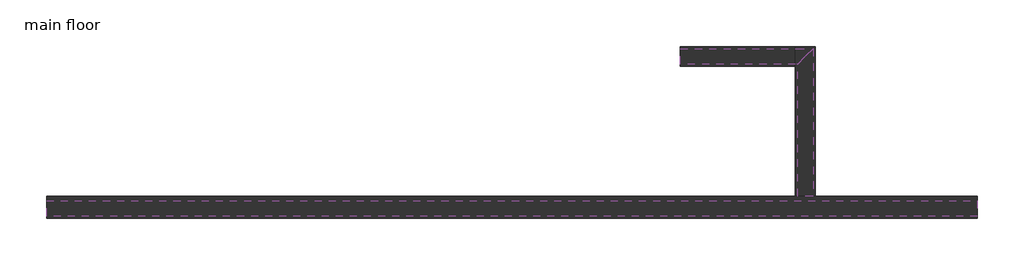
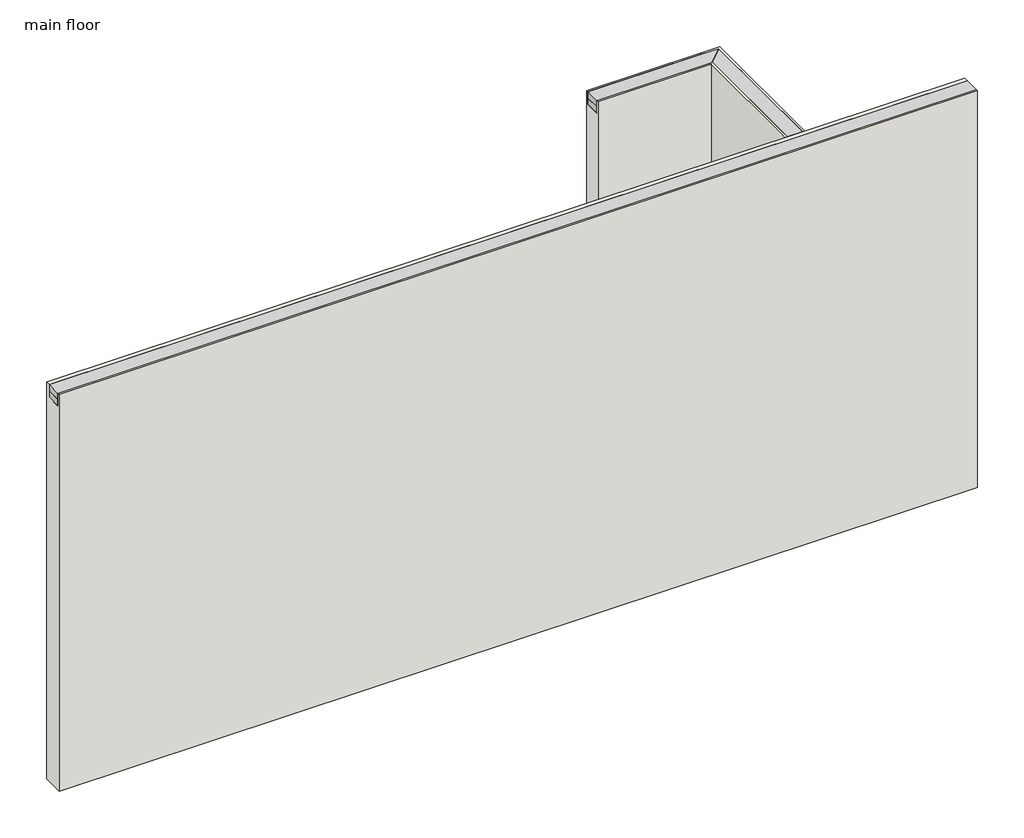
# One storey: 6 proxies, 3 walls.
"""IFC4 building model written with IfcOpenShell, lengths in millimetres."""

from ifc_helpers import new_model, si_unit, frame, origin, place, context, project, spatial, polyline, outline, extrude, faceted_brep, element, save

model = new_model("IFC4")

# Units and contexts
model_context = context("Model", 3, world=origin())
ifc_project = project(units=[si_unit("LENGTHUNIT", "METRE", prefix="MILLI")], contexts=[model_context])

# Site, building, storey
site = spatial("IfcSite", under=ifc_project)
building = spatial("IfcBuilding", under=site)
storey = spatial("IfcBuildingStorey", under=building, Name="main floor", Elevation=0.0)

# Proxies
placement = place(None, origin())
element("IfcBuildingElementProxy", 1, Name="Wall Sweeps", at=placement, inside=storey, context=model_context, shape_type="SweptSolid", body=[
    extrude(outline(polyline([(-19668.8112733, 1799.7534889), (-19668.8112733, 1888.6534889), (-14334.8112733, 1888.6534889), (-14334.8112733, 1799.7534889), (-19668.8112733, 1799.7534889)])), frame((0.0, 0.0, 2362.2), z_axis=(0.0, 0.0, 1.0), x_axis=(1.0, 0.0, 0.0)), (0.0, 0.0, 1.0), 38.1),
])
element("IfcBuildingElementProxy", 2, Name="Wall Sweeps", at=placement, inside=storey, context=model_context, shape_type="SweptSolid", body=[
    extrude(outline(polyline([(-19668.8112733, 1799.7534889), (-19668.8112733, 1888.6534889), (-14334.8112733, 1888.6534889), (-14334.8112733, 1799.7534889), (-19668.8112733, 1799.7534889)])), frame((0.0, 0.0, 2400.3), z_axis=(0.0, 0.0, 1.0), x_axis=(1.0, 0.0, 0.0)), (0.0, 0.0, 1.0), 38.1),
])
element("IfcBuildingElementProxy", 3, Name="Wall Sweeps", at=placement, inside=storey, context=model_context, shape_type="Brep", body=[
    faceted_brep([(-15365.0987733, 2669.7034889, 2400.3), (-15365.0987733, 2669.7034889, 2362.2), (-15276.1987733, 2758.6034889, 2362.2), (-15276.1987733, 2758.6034889, 2400.3), (-16036.6112733, 2669.7034889, 2400.3), (-16036.6112733, 2758.6034889, 2400.3), (-16036.6112733, 2758.6034889, 2362.2), (-16036.6112733, 2669.7034889, 2362.2), (-15377.7987733, 2669.7034889, 2362.2), (-15377.7987733, 2758.6034889, 2362.2)], [[[0, 1, 2, 3]], [[4, 5, 6, 7]], [[1, 0, 4, 7, 8]], [[2, 1, 8, 7, 6, 9]], [[3, 2, 9, 6, 5]], [[0, 3, 5, 4]]]),
])
element("IfcBuildingElementProxy", 4, Name="Wall Sweeps", at=placement, inside=storey, context=model_context, shape_type="Brep", body=[
    faceted_brep([(-15365.0987733, 2669.7034889, 2438.4), (-15365.0987733, 2669.7034889, 2400.3), (-15276.1987733, 2758.6034889, 2400.3), (-15276.1987733, 2758.6034889, 2438.4), (-16036.6112733, 2669.7034889, 2438.4), (-16036.6112733, 2758.6034889, 2438.4), (-16036.6112733, 2758.6034889, 2400.3), (-16036.6112733, 2669.7034889, 2400.3), (-15377.7987733, 2669.7034889, 2438.4), (-15377.7987733, 2758.6034889, 2438.4)], [[[0, 1, 2, 3]], [[4, 5, 6, 7]], [[1, 0, 8, 4, 7]], [[2, 1, 7, 6]], [[3, 2, 6, 5, 9]], [[0, 3, 9, 5, 4, 8]]]),
])
element("IfcBuildingElementProxy", 5, Name="Wall Sweeps", at=placement, inside=storey, context=model_context, shape_type="SweptSolid", body=[
    extrude(outline(polyline([(-15276.1987733, 1914.0534889), (-15365.0987733, 1914.0534889), (-15365.0987733, 2669.7034889), (-15276.1987733, 2758.6034889), (-15276.1987733, 1914.0534889)])), frame((0.0, 0.0, 2362.2), z_axis=(0.0, 0.0, 1.0), x_axis=(1.0, 0.0, 0.0)), (0.0, 0.0, 1.0), 38.1),
])
element("IfcBuildingElementProxy", 6, Name="Wall Sweeps", at=placement, inside=storey, context=model_context, shape_type="SweptSolid", body=[
    extrude(outline(polyline([(-15276.1987733, 1914.0534889), (-15365.0987733, 1914.0534889), (-15365.0987733, 2669.7034889), (-15276.1987733, 2758.6034889), (-15276.1987733, 1914.0534889)])), frame((0.0, 0.0, 2400.3), z_axis=(0.0, 0.0, 1.0), x_axis=(1.0, 0.0, 0.0)), (0.0, 0.0, 1.0), 38.1),
])

# Walls
element("IfcWall", 7, ObjectType="Exterior 2x4", at=placement, inside=storey, context=model_context, shape_type="Brep", body=[
    faceted_brep([(-19668.8112733, 1787.0534889, 0.0), (-14334.8112733, 1787.0534889, 0.0), (-14334.8112733, 1787.0534889, 2438.4), (-19668.8112733, 1787.0534889, 2438.4), (-14334.8112733, 1914.0534889, 0.0), (-19668.8112733, 1914.0534889, 0.0), (-19668.8112733, 1914.0534889, 2438.4), (-14334.8112733, 1914.0534889, 2438.4), (-14334.8112733, 1888.6534889, 2438.4), (-14334.8112733, 1888.6534889, 2400.3), (-14334.8112733, 1888.6534889, 2362.2), (-14334.8112733, 1799.7534889, 2362.2), (-14334.8112733, 1799.7534889, 2400.3), (-14334.8112733, 1799.7534889, 2438.4), (-19668.8112733, 1799.7534889, 2438.4), (-19668.8112733, 1888.6534889, 2438.4), (-19668.8112733, 1799.7534889, 2400.3), (-19668.8112733, 1799.7534889, 2362.2), (-19668.8112733, 1888.6534889, 2362.2), (-19668.8112733, 1888.6534889, 2400.3)], [[[0, 1, 2, 3]], [[4, 5, 6, 7]], [[1, 0, 5, 4]], [[2, 1, 4, 7, 8, 9, 10, 11, 12, 13]], [[3, 2, 13, 14]], [[7, 6, 15, 8]], [[0, 3, 14, 16, 17, 18, 19, 15, 6, 5]], [[18, 10, 9, 8, 15, 19]], [[10, 18, 17, 11]], [[11, 17, 16, 14, 13, 12]]]),
])
element("IfcWall", 8, ObjectType="interior 2x4", at=placement, inside=storey, context=model_context, shape_type="Brep", body=[
    faceted_brep([(-15263.4987733, 1914.0534889, 0.0), (-15263.4987733, 2771.3034889, 0.0), (-15263.4987733, 2771.3034889, 2438.4), (-15263.4987733, 1914.0534889, 2438.4), (-15377.7987733, 2771.3034889, 0.0), (-15377.7987733, 2657.0034889, 0.0), (-15377.7987733, 1914.0534889, 0.0), (-15377.7987733, 1914.0534889, 2438.4), (-15377.7987733, 2657.0034889, 2438.4), (-15377.7987733, 2669.7034889, 2438.4), (-15377.7987733, 2669.7034889, 2362.2), (-15377.7987733, 2758.6034889, 2362.2), (-15377.7987733, 2758.6034889, 2438.4), (-15377.7987733, 2771.3034889, 2438.4), (-15276.1987733, 2758.6034889, 2438.4), (-15276.1987733, 1914.0534889, 2438.4), (-15365.0987733, 1914.0534889, 2438.4), (-15365.0987733, 2669.7034889, 2438.4), (-15276.1987733, 1914.0534889, 2400.3), (-15276.1987733, 1914.0534889, 2362.2), (-15365.0987733, 1914.0534889, 2362.2), (-15365.0987733, 1914.0534889, 2400.3), (-15365.0987733, 2669.7034889, 2362.2), (-15276.1987733, 2758.6034889, 2362.2)], [[[0, 1, 2, 3]], [[4, 5, 6, 7, 8, 9, 10, 11, 12, 13]], [[1, 0, 6, 5, 4]], [[3, 2, 13, 12, 14, 15]], [[9, 8, 7, 16, 17]], [[0, 3, 15, 18, 19, 20, 21, 16, 7, 6]], [[2, 1, 4, 13]], [[20, 22, 17, 16, 21]], [[22, 20, 19, 23, 11, 10]], [[23, 19, 18, 15, 14]], [[17, 22, 10, 9]], [[23, 14, 12, 11]]]),
])
element("IfcWall", 9, ObjectType="interior 2x4", at=placement, inside=storey, context=model_context, shape_type="Brep", body=[
    faceted_brep([(-15377.7987733, 2771.3034889, 0.0), (-16036.6112733, 2771.3034889, 0.0), (-16036.6112733, 2771.3034889, 2438.4), (-15377.7987733, 2771.3034889, 2438.4), (-16036.6112733, 2657.0034889, 0.0), (-15377.7987733, 2657.0034889, 0.0), (-15377.7987733, 2657.0034889, 2438.4), (-16036.6112733, 2657.0034889, 2438.4), (-16036.6112733, 2669.7034889, 2438.4), (-16036.6112733, 2669.7034889, 2400.3), (-16036.6112733, 2669.7034889, 2362.2), (-16036.6112733, 2758.6034889, 2362.2), (-16036.6112733, 2758.6034889, 2400.3), (-16036.6112733, 2758.6034889, 2438.4), (-15377.7987733, 2758.6034889, 2438.4), (-15377.7987733, 2669.7034889, 2438.4), (-15377.7987733, 2758.6034889, 2362.2), (-15377.7987733, 2669.7034889, 2362.2)], [[[0, 1, 2, 3]], [[4, 5, 6, 7]], [[1, 0, 5, 4]], [[2, 1, 4, 7, 8, 9, 10, 11, 12, 13]], [[3, 2, 13, 14]], [[7, 6, 15, 8]], [[0, 3, 14, 16, 17, 15, 6, 5]], [[8, 15, 17, 10, 9]], [[11, 16, 14, 13, 12]], [[16, 11, 10, 17]]]),
])

save(model, "model.ifc")
